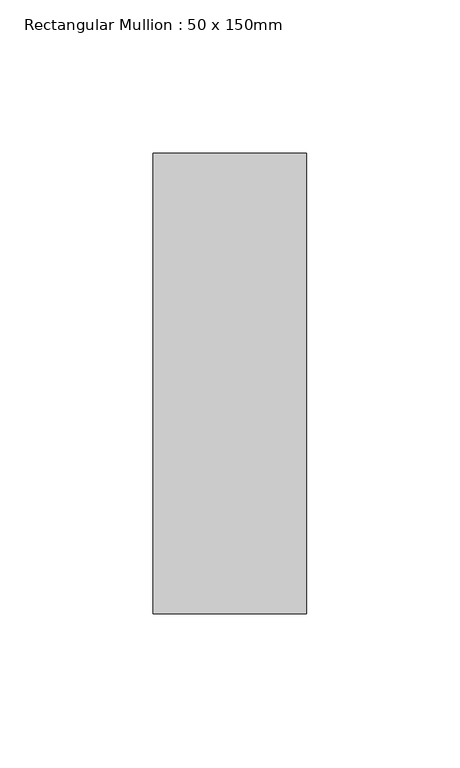
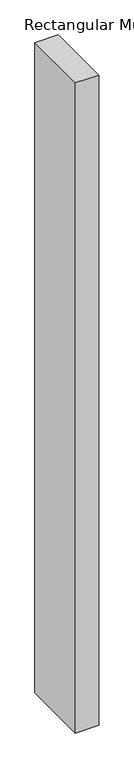
"""IFC4 building model written with IfcOpenShell, lengths in millimetres: member geometry, Rectangular Mullion : 50 x 150mm."""

from ifc_helpers import new_model, si_unit, frame, origin, place, context, project, spatial, polyline, outline, extrude, source, transform, mapped, element, save


def rectangular_mullion_50_x_150mm_31a9394d(model_context):
    return source(origin(), model_context, "Body", "SweptSolid", [
        extrude(outline(polyline([(25.0, 75.0), (25.0, -75.0), (-25.0, -75.0), (-25.0, 75.0), (25.0, 75.0)])), frame((0.0, 0.0, -1469.1489137), z_axis=(0.0, 0.0, 1.0), x_axis=(1.0, 0.0, 0.0)), (0.0, 0.0, 1.0), 1469.1489137),
    ])


if __name__ == "__main__":
    model = new_model("IFC4")
    model_context = context("Model", 3, world=origin())
    ifc_project = project(units=[si_unit("LENGTHUNIT", "METRE", prefix="MILLI")], contexts=[model_context])
    site = spatial("IfcSite", under=ifc_project)
    building = spatial("IfcBuilding", under=site)
    placement = place(None, origin())
    rectangular_mullion_50_x_150mm_shape = rectangular_mullion_50_x_150mm_31a9394d(model_context)
    element("IfcMember", 1, ObjectType="Rectangular Mullion : 50 x 150mm", at=placement, inside=building, context=model_context, shape_type="MappedRepresentation", body=[
        mapped(rectangular_mullion_50_x_150mm_shape, transform((0.0, 0.0, 0.0), x_axis=(1.0, 0.0, 0.0), y_axis=(0.0, 1.0, 0.0), z_axis=(0.0, 0.0, 1.0))),
    ])
    save(model, "model.ifc")
